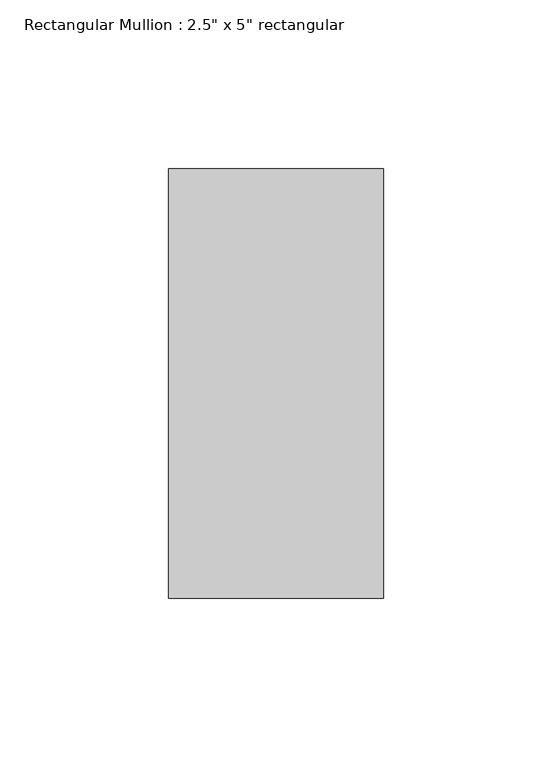
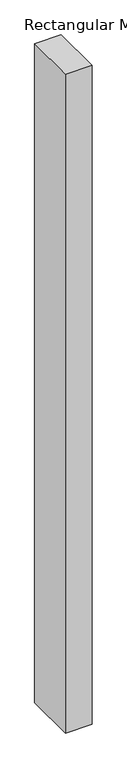
"""IFC4 building model written with IfcOpenShell, lengths in millimetres: member geometry."""

from ifc_helpers import new_model, si_unit, frame, origin, place, context, project, spatial, polyline, outline, extrude, source, transform, mapped, element, save


def member_d93b9a80(model_context):
    return source(origin(), model_context, "Body", "SweptSolid", [
        extrude(outline(polyline([(31.75, 63.5), (31.75, -63.5), (-31.75, -63.5), (-31.75, 63.5), (31.75, 63.5)])), frame((0.0, 0.0, -1666.0035601), z_axis=(0.0, 0.0, 1.0), x_axis=(1.0, 0.0, 0.0)), (0.0, 0.0, 1.0), 1666.0035601),
    ])


if __name__ == "__main__":
    model = new_model("IFC4")
    model_context = context("Model", 3, world=origin())
    ifc_project = project(units=[si_unit("LENGTHUNIT", "METRE", prefix="MILLI")], contexts=[model_context])
    site = spatial("IfcSite", under=ifc_project)
    building = spatial("IfcBuilding", under=site)
    placement = place(None, origin())
    member_shape = member_d93b9a80(model_context)
    element("IfcMember", 1, ObjectType="Rectangular Mullion : 2.5\" x 5\" rectangular", at=placement, inside=building, context=model_context, shape_type="MappedRepresentation", body=[
        mapped(member_shape, transform((0.0, 0.0, 0.0), x_axis=(1.0, 0.0, 0.0), y_axis=(0.0, 1.0, 0.0), z_axis=(0.0, 0.0, 1.0))),
    ])
    save(model, "model.ifc")
